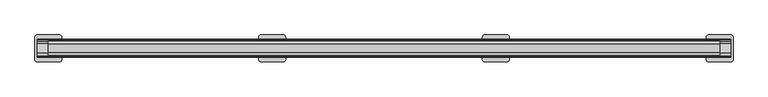
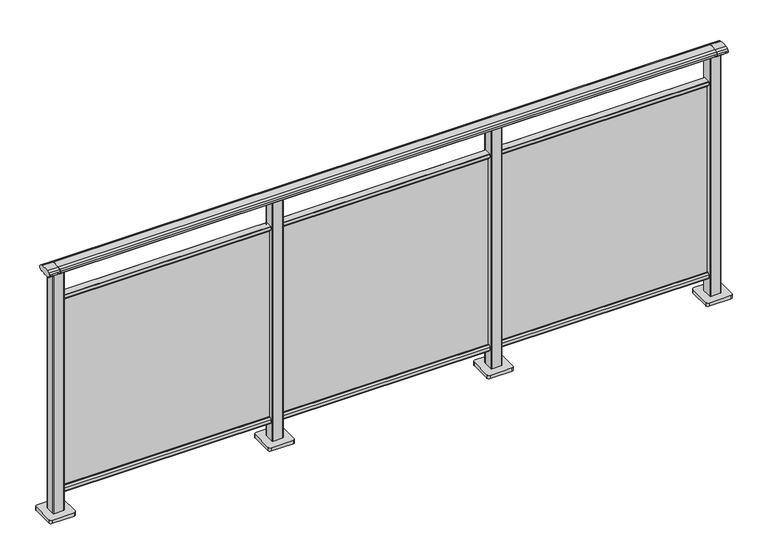
"""IFC4 building model written with IfcOpenShell, lengths in millimetres: railing geometry."""

from ifc_helpers import new_model, si_unit, point, frame, frame_2d, origin, origin_with_axes, place, context, project, spatial, polyline, circle_curve, trimmed, segment, composite_curve, outline, extrude, source, transform, mapped, element, save


def railing_0e9f6341(model_context):
    return source(origin(), model_context, "Body", "SweptSolid", [
        extrude(outline(composite_curve([segment(trimmed(circle_curve(frame_2d((9095.3619413, 1153.851602)), 44.999996), [point((9106.0673858, 1197.5596459))], [point((9118.2601573, 1192.5901015))], False, "CARTESIAN"), True, "CONTINUOUS"), segment(trimmed(circle_curve(frame_2d((9109.6097194, 1177.955556)), 17.0), [point((9118.2601573, 1192.5901015))], [point((9124.1544589, 1186.7561556))], False, "CARTESIAN"), True, "CONTINUOUS"), segment(trimmed(circle_curve(frame_2d((9117.0959826, 1182.4852765)), 8.2499997), [point((9124.1544589, 1186.7561556))], [point((9124.1544535, 1178.2143885))], False, "CARTESIAN"), True, "CONTINUOUS"), segment(trimmed(circle_curve(frame_2d((9109.6097251, 1187.0150065)), 17.0), [point((9124.1544535, 1178.2143885))], [point((9118.2601665, 1172.380463))], False, "CARTESIAN"), True, "CONTINUOUS"), segment(trimmed(circle_curve(frame_2d((9095.3619413, 1211.1189571)), 44.999996), [point((9118.2601665, 1172.380463))], [point((9113.7876029, 1170.064181))], False, "CARTESIAN"), True, "CONTINUOUS"), segment(trimmed(circle_curve(frame_2d((9113.1786159, 1172.1635324)), 2.185896), [point((9113.7876029, 1170.064181))], [point((9112.9960148, 1169.9852766))], False, "CARTESIAN"), True, "CONTINUOUS"), segment(trimmed(circle_curve(frame_2d((9112.9960148, 1170.8852766)), 0.9), [point((9112.9960148, 1169.9852766))], [point((9112.0981091, 1170.8239135))], False, "CARTESIAN"), True, "CONTINUOUS"), segment(trimmed(circle_curve(frame_2d((9111.5194733, 1170.8239135)), 0.5786359), [point((9112.0981091, 1170.8239135))], [point((9111.5194733, 1170.2452777))], False, "CARTESIAN"), True, "CONTINUOUS"), segment(polyline([(9111.5194733, 1170.2452777), (9094.5751393, 1170.2452777)]), True, "CONTINUOUS"), segment(trimmed(circle_curve(frame_2d((9085.8508208, 1187.1238497)), 18.999998), [point((9094.5751393, 1170.2452777))], [point((9077.1265024, 1170.2452777))], False, "CARTESIAN"), True, "CONTINUOUS"), segment(polyline([(9077.1265024, 1170.2452777), (9060.1821348, 1170.2452777)]), True, "CONTINUOUS"), segment(trimmed(circle_curve(frame_2d((9060.1821348, 1170.8239135)), 0.5786359), [point((9060.1821348, 1170.2452777))], [point((9059.603499, 1170.8239135))], False, "CARTESIAN"), True, "CONTINUOUS"), segment(trimmed(circle_curve(frame_2d((9058.7055933, 1170.8852766)), 0.9), [point((9059.603499, 1170.8239135))], [point((9058.7055933, 1169.9852766))], False, "CARTESIAN"), True, "CONTINUOUS"), segment(trimmed(circle_curve(frame_2d((9058.5229922, 1172.1635324)), 2.185896), [point((9058.7055933, 1169.9852766))], [point((9057.9140052, 1170.064181))], False, "CARTESIAN"), True, "CONTINUOUS"), segment(trimmed(circle_curve(frame_2d((9076.3396668, 1211.1189571)), 44.999996), [point((9057.9140052, 1170.064181))], [point((9053.8767914, 1172.1264081))], False, "CARTESIAN"), True, "CONTINUOUS"), segment(trimmed(circle_curve(frame_2d((9062.082215, 1187.0150288)), 17.0), [point((9053.8767914, 1172.1264081))], [point((9047.5375128, 1178.2143675))], False, "CARTESIAN"), True, "CONTINUOUS"), segment(trimmed(circle_curve(frame_2d((9054.595971, 1182.4852765)), 8.2499997), [point((9047.5375128, 1178.2143675))], [point((9047.5375074, 1186.7561766))], False, "CARTESIAN"), True, "CONTINUOUS"), segment(trimmed(circle_curve(frame_2d((9062.0822207, 1177.9555337)), 17.0), [point((9047.5375074, 1186.7561766))], [point((9053.4317599, 1192.5900657))], False, "CARTESIAN"), True, "CONTINUOUS"), segment(trimmed(circle_curve(frame_2d((9076.3300365, 1153.851602)), 44.999996), [point((9053.4317599, 1192.5900657))], [point((9065.624592, 1197.5596459))], False, "CARTESIAN"), True, "CONTINUOUS"), segment(trimmed(circle_curve(frame_2d((9085.8459889, 1115.0000001)), 85.0), [point((9065.624592, 1197.5596459))], [point((9106.0673858, 1197.5596459))], False, "CARTESIAN"), True, "CONTINUOUS")], self_intersect=False)), frame((-408.6053075, 0.0, 0.0), z_axis=(1.0, 0.0, 0.0), x_axis=(0.0, 1.0, 0.0)), (0.0, 0.0, 1.0), 3000.0),
        extrude(outline(composite_curve([segment(polyline([(9101.5508136, 100.0), (9070.1507946, 100.0)]), True, "CONTINUOUS"), segment(trimmed(circle_curve(frame_2d((9070.1507946, 101.8)), 1.8), [point((9070.1507946, 100.0))], [point((9068.3507946, 101.8))], False, "CARTESIAN"), True, "CONTINUOUS"), segment(polyline([(9068.3507946, 101.8), (9068.3507946, 115.5269955)]), True, "CONTINUOUS"), segment(trimmed(circle_curve(frame_2d((9070.1507946, 115.5269955)), 1.8), [point((9068.3507946, 115.5269955))], [point((9068.7923399, 116.7079277))], False, "CARTESIAN"), True, "CONTINUOUS"), segment(polyline([(9068.7923399, 116.7079277), (9075.4626384, 124.3809322)]), True, "CONTINUOUS"), segment(trimmed(circle_curve(frame_2d((9076.8210931, 123.2)), 1.8), [point((9075.4626384, 124.3809322))], [point((9076.8210931, 125.0))], False, "CARTESIAN"), True, "CONTINUOUS"), segment(polyline([(9076.8210931, 125.0), (9080.5111113, 125.0), (9081.809143, 113.0), (9089.8924411, 113.0), (9091.1904978, 125.0), (9094.88054, 125.0)]), True, "CONTINUOUS"), segment(trimmed(circle_curve(frame_2d((9094.88054, 123.2)), 1.8), [point((9094.88054, 125.0))], [point((9096.2389969, 124.3809297))], False, "CARTESIAN"), True, "CONTINUOUS"), segment(polyline([(9096.2389969, 124.3809297), (9102.9092704, 116.7079252)]), True, "CONTINUOUS"), segment(trimmed(circle_curve(frame_2d((9101.5508136, 115.5269955)), 1.8), [point((9102.9092704, 116.7079252))], [point((9103.3508136, 115.5269955))], False, "CARTESIAN"), True, "CONTINUOUS"), segment(polyline([(9103.3508136, 115.5269955), (9103.3508136, 101.8)]), True, "CONTINUOUS"), segment(trimmed(circle_curve(frame_2d((9101.5508136, 101.8)), 1.8), [point((9103.3508136, 101.8))], [point((9101.5508136, 100.0))], False, "CARTESIAN"), True, "CONTINUOUS")], self_intersect=False)), frame((-408.6053075, 0.0, 0.0), z_axis=(1.0, 0.0, 0.0), x_axis=(0.0, 1.0, 0.0)), (0.0, 0.0, 1.0), 3000.0),
        extrude(outline(composite_curve([segment(polyline([(9070.1507946, 1050.0), (9101.5508136, 1050.0)]), True, "CONTINUOUS"), segment(trimmed(circle_curve(frame_2d((9101.5508136, 1048.2)), 1.8), [point((9101.5508136, 1050.0))], [point((9103.3508136, 1048.2))], False, "CARTESIAN"), True, "CONTINUOUS"), segment(polyline([(9103.3508136, 1048.2), (9103.3508136, 1034.4730045)]), True, "CONTINUOUS"), segment(trimmed(circle_curve(frame_2d((9101.5508136, 1034.4730045)), 1.8), [point((9103.3508136, 1034.4730045))], [point((9102.9092704, 1033.2920748))], False, "CARTESIAN"), True, "CONTINUOUS"), segment(polyline([(9102.9092704, 1033.2920748), (9096.2389969, 1025.6190703)]), True, "CONTINUOUS"), segment(trimmed(circle_curve(frame_2d((9094.88054, 1026.8)), 1.8), [point((9096.2389969, 1025.6190703))], [point((9094.88054, 1025.0))], False, "CARTESIAN"), True, "CONTINUOUS"), segment(polyline([(9094.88054, 1025.0), (9091.1904978, 1025.0), (9089.8924411, 1037.0), (9081.809143, 1037.0), (9080.5111113, 1025.0), (9076.8210931, 1025.0)]), True, "CONTINUOUS"), segment(trimmed(circle_curve(frame_2d((9076.8210931, 1026.8)), 1.8), [point((9076.8210931, 1025.0))], [point((9075.4626384, 1025.6190678))], False, "CARTESIAN"), True, "CONTINUOUS"), segment(polyline([(9075.4626384, 1025.6190678), (9068.7923399, 1033.2920723)]), True, "CONTINUOUS"), segment(trimmed(circle_curve(frame_2d((9070.1507946, 1034.4730045)), 1.8), [point((9068.7923399, 1033.2920723))], [point((9068.3507946, 1034.4730045))], False, "CARTESIAN"), True, "CONTINUOUS"), segment(polyline([(9068.3507946, 1034.4730045), (9068.3507946, 1048.2)]), True, "CONTINUOUS"), segment(trimmed(circle_curve(frame_2d((9070.1507946, 1048.2)), 1.8), [point((9068.3507946, 1048.2))], [point((9070.1507946, 1050.0))], False, "CARTESIAN"), True, "CONTINUOUS")], self_intersect=False)), frame((-408.6053075, 0.0, 0.0), z_axis=(1.0, 0.0, 0.0), x_axis=(0.0, 1.0, 0.0)), (0.0, 0.0, 1.0), 3000.0),
        extrude(outline(polyline([(-408.6053075, 9083.8508041), (-408.6053075, 9087.8508041), (2591.3946925, 9087.8508041), (2591.3946925, 9083.8508041), (-408.6053075, 9083.8508041)])), frame((0.0, 0.0, 100.0), z_axis=(0.0, 0.0, 1.0), x_axis=(1.0, 0.0, 0.0)), (0.0, 0.0, 1.0), 940.0),
        extrude(outline(composite_curve([segment(trimmed(circle_curve(frame_2d((1568.994681, 9108.2508266)), 3.0), [point((1565.994681, 9108.2508266))], [point((1568.994681, 9111.2508266))], False, "CARTESIAN"), True, "CONTINUOUS"), segment(polyline([(1568.994681, 9111.2508266), (1613.794704, 9111.2508266)]), True, "CONTINUOUS"), segment(trimmed(circle_curve(frame_2d((1613.794704, 9108.2508266)), 3.0), [point((1613.794704, 9111.2508266))], [point((1616.794704, 9108.2508266))], False, "CARTESIAN"), True, "CONTINUOUS"), segment(polyline([(1616.794704, 9108.2508266), (1616.794704, 9063.4508036)]), True, "CONTINUOUS"), segment(trimmed(circle_curve(frame_2d((1613.794704, 9063.4508036)), 3.0), [point((1616.794704, 9063.4508036))], [point((1613.794704, 9060.4508036))], False, "CARTESIAN"), True, "CONTINUOUS"), segment(polyline([(1613.794704, 9060.4508036), (1568.994681, 9060.4508036)]), True, "CONTINUOUS"), segment(trimmed(circle_curve(frame_2d((1568.994681, 9063.4508036)), 3.0), [point((1568.994681, 9060.4508036))], [point((1565.994681, 9063.4508036))], False, "CARTESIAN"), True, "CONTINUOUS"), segment(polyline([(1565.994681, 9063.4508036), (1565.994681, 9108.2508266)]), True, "CONTINUOUS")], self_intersect=False)), frame((0.0, 0.0, 16.0), z_axis=(0.0, 0.0, 1.0), x_axis=(1.0, 0.0, 0.0)), (0.0, 0.0, 1.0), 1152.1238517),
        extrude(outline(composite_curve([segment(trimmed(circle_curve(frame_2d((1541.394681, 9135.8508151)), 10.0), [point((1531.394681, 9135.8508151))], [point((1541.394681, 9145.8508151))], False, "CARTESIAN"), True, "CONTINUOUS"), segment(polyline([(1541.394681, 9145.8508151), (1641.394681, 9145.8508151)]), True, "CONTINUOUS"), segment(trimmed(circle_curve(frame_2d((1641.394681, 9135.8508151)), 10.0), [point((1641.394681, 9145.8508151))], [point((1651.394681, 9135.8508151))], False, "CARTESIAN"), True, "CONTINUOUS"), segment(polyline([(1651.394681, 9135.8508151), (1651.394681, 9035.8508151)]), True, "CONTINUOUS"), segment(trimmed(circle_curve(frame_2d((1641.394681, 9035.8508151)), 10.0), [point((1651.394681, 9035.8508151))], [point((1641.394681, 9025.8508151))], False, "CARTESIAN"), True, "CONTINUOUS"), segment(polyline([(1641.394681, 9025.8508151), (1541.394681, 9025.8508151)]), True, "CONTINUOUS"), segment(trimmed(circle_curve(frame_2d((1541.394681, 9035.8508151)), 10.0), [point((1541.394681, 9025.8508151))], [point((1531.394681, 9035.8508151))], False, "CARTESIAN"), True, "CONTINUOUS"), segment(polyline([(1531.394681, 9035.8508151), (1531.394681, 9135.8508151)]), True, "CONTINUOUS")], self_intersect=False)), origin_with_axes(), (0.0, 0.0, 1.0), 16.0),
        extrude(outline(composite_curve([segment(trimmed(circle_curve(frame_2d((568.994681, 9108.2508266)), 3.0), [point((565.994681, 9108.2508266))], [point((568.994681, 9111.2508266))], False, "CARTESIAN"), True, "CONTINUOUS"), segment(polyline([(568.994681, 9111.2508266), (613.794704, 9111.2508266)]), True, "CONTINUOUS"), segment(trimmed(circle_curve(frame_2d((613.794704, 9108.2508266)), 3.0), [point((613.794704, 9111.2508266))], [point((616.794704, 9108.2508266))], False, "CARTESIAN"), True, "CONTINUOUS"), segment(polyline([(616.794704, 9108.2508266), (616.794704, 9063.4508036)]), True, "CONTINUOUS"), segment(trimmed(circle_curve(frame_2d((613.794704, 9063.4508036)), 3.0), [point((616.794704, 9063.4508036))], [point((613.794704, 9060.4508036))], False, "CARTESIAN"), True, "CONTINUOUS"), segment(polyline([(613.794704, 9060.4508036), (568.994681, 9060.4508036)]), True, "CONTINUOUS"), segment(trimmed(circle_curve(frame_2d((568.994681, 9063.4508036)), 3.0), [point((568.994681, 9060.4508036))], [point((565.994681, 9063.4508036))], False, "CARTESIAN"), True, "CONTINUOUS"), segment(polyline([(565.994681, 9063.4508036), (565.994681, 9108.2508266)]), True, "CONTINUOUS")], self_intersect=False)), frame((0.0, 0.0, 16.0), z_axis=(0.0, 0.0, 1.0), x_axis=(1.0, 0.0, 0.0)), (0.0, 0.0, 1.0), 1152.1238517),
        extrude(outline(composite_curve([segment(trimmed(circle_curve(frame_2d((541.394681, 9135.8508151)), 10.0), [point((531.394681, 9135.8508151))], [point((541.394681, 9145.8508151))], False, "CARTESIAN"), True, "CONTINUOUS"), segment(polyline([(541.394681, 9145.8508151), (641.394681, 9145.8508151)]), True, "CONTINUOUS"), segment(trimmed(circle_curve(frame_2d((641.394681, 9135.8508151)), 10.0), [point((641.394681, 9145.8508151))], [point((651.394681, 9135.8508151))], False, "CARTESIAN"), True, "CONTINUOUS"), segment(polyline([(651.394681, 9135.8508151), (651.394681, 9035.8508151)]), True, "CONTINUOUS"), segment(trimmed(circle_curve(frame_2d((641.394681, 9035.8508151)), 10.0), [point((651.394681, 9035.8508151))], [point((641.394681, 9025.8508151))], False, "CARTESIAN"), True, "CONTINUOUS"), segment(polyline([(641.394681, 9025.8508151), (541.394681, 9025.8508151)]), True, "CONTINUOUS"), segment(trimmed(circle_curve(frame_2d((541.394681, 9035.8508151)), 10.0), [point((541.394681, 9025.8508151))], [point((531.394681, 9035.8508151))], False, "CARTESIAN"), True, "CONTINUOUS"), segment(polyline([(531.394681, 9035.8508151), (531.394681, 9135.8508151)]), True, "CONTINUOUS")], self_intersect=False)), origin_with_axes(), (0.0, 0.0, 1.0), 16.0),
        extrude(outline(composite_curve([segment(trimmed(circle_curve(frame_2d((2568.994681, 9108.2508266)), 3.0), [point((2565.994681, 9108.2508266))], [point((2568.994681, 9111.2508266))], False, "CARTESIAN"), True, "CONTINUOUS"), segment(polyline([(2568.994681, 9111.2508266), (2613.794704, 9111.2508266)]), True, "CONTINUOUS"), segment(trimmed(circle_curve(frame_2d((2613.794704, 9108.2508266)), 3.0), [point((2613.794704, 9111.2508266))], [point((2616.794704, 9108.2508266))], False, "CARTESIAN"), True, "CONTINUOUS"), segment(polyline([(2616.794704, 9108.2508266), (2616.794704, 9063.4508036)]), True, "CONTINUOUS"), segment(trimmed(circle_curve(frame_2d((2613.794704, 9063.4508036)), 3.0), [point((2616.794704, 9063.4508036))], [point((2613.794704, 9060.4508036))], False, "CARTESIAN"), True, "CONTINUOUS"), segment(polyline([(2613.794704, 9060.4508036), (2568.994681, 9060.4508036)]), True, "CONTINUOUS"), segment(trimmed(circle_curve(frame_2d((2568.994681, 9063.4508036)), 3.0), [point((2568.994681, 9060.4508036))], [point((2565.994681, 9063.4508036))], False, "CARTESIAN"), True, "CONTINUOUS"), segment(polyline([(2565.994681, 9063.4508036), (2565.994681, 9108.2508266)]), True, "CONTINUOUS")], self_intersect=False)), frame((0.0, 0.0, 16.0), z_axis=(0.0, 0.0, 1.0), x_axis=(1.0, 0.0, 0.0)), (0.0, 0.0, 1.0), 1152.1238517),
        extrude(outline(composite_curve([segment(trimmed(circle_curve(frame_2d((2541.394681, 9135.8508151)), 10.0), [point((2531.394681, 9135.8508151))], [point((2541.394681, 9145.8508151))], False, "CARTESIAN"), True, "CONTINUOUS"), segment(polyline([(2541.394681, 9145.8508151), (2641.394681, 9145.8508151)]), True, "CONTINUOUS"), segment(trimmed(circle_curve(frame_2d((2641.394681, 9135.8508151)), 10.0), [point((2641.394681, 9145.8508151))], [point((2651.394681, 9135.8508151))], False, "CARTESIAN"), True, "CONTINUOUS"), segment(polyline([(2651.394681, 9135.8508151), (2651.394681, 9035.8508151)]), True, "CONTINUOUS"), segment(trimmed(circle_curve(frame_2d((2641.394681, 9035.8508151)), 10.0), [point((2651.394681, 9035.8508151))], [point((2641.394681, 9025.8508151))], False, "CARTESIAN"), True, "CONTINUOUS"), segment(polyline([(2641.394681, 9025.8508151), (2541.394681, 9025.8508151)]), True, "CONTINUOUS"), segment(trimmed(circle_curve(frame_2d((2541.394681, 9035.8508151)), 10.0), [point((2541.394681, 9025.8508151))], [point((2531.394681, 9035.8508151))], False, "CARTESIAN"), True, "CONTINUOUS"), segment(polyline([(2531.394681, 9035.8508151), (2531.394681, 9135.8508151)]), True, "CONTINUOUS")], self_intersect=False)), origin_with_axes(), (0.0, 0.0, 1.0), 16.0),
        extrude(outline(composite_curve([segment(trimmed(circle_curve(frame_2d((9095.3619413, 1153.7397763)), 44.999996), [point((9106.0673858, 1197.4478202))], [point((9118.2601573, 1192.4782759))], False, "CARTESIAN"), True, "CONTINUOUS"), segment(trimmed(circle_curve(frame_2d((9109.6097194, 1177.8437303)), 17.0), [point((9118.2601573, 1192.4782759))], [point((9124.1544589, 1186.64433))], False, "CARTESIAN"), True, "CONTINUOUS"), segment(trimmed(circle_curve(frame_2d((9117.0959826, 1182.3734509)), 8.2499997), [point((9124.1544589, 1186.64433))], [point((9124.1544535, 1178.1025629))], False, "CARTESIAN"), True, "CONTINUOUS"), segment(trimmed(circle_curve(frame_2d((9109.6097251, 1186.9031808)), 17.0), [point((9124.1544535, 1178.1025629))], [point((9118.2601665, 1172.2686373))], False, "CARTESIAN"), True, "CONTINUOUS"), segment(trimmed(circle_curve(frame_2d((9095.3619413, 1211.0071314)), 44.999996), [point((9118.2601665, 1172.2686373))], [point((9113.7876029, 1169.9523554))], False, "CARTESIAN"), True, "CONTINUOUS"), segment(trimmed(circle_curve(frame_2d((9113.1786159, 1172.0517067)), 2.185896), [point((9113.7876029, 1169.9523554))], [point((9112.9960148, 1169.873451))], False, "CARTESIAN"), True, "CONTINUOUS"), segment(trimmed(circle_curve(frame_2d((9112.9960148, 1170.773451)), 0.9), [point((9112.9960148, 1169.873451))], [point((9112.0981091, 1170.7120879))], False, "CARTESIAN"), True, "CONTINUOUS"), segment(trimmed(circle_curve(frame_2d((9111.5194733, 1170.7120879)), 0.5786359), [point((9112.0981091, 1170.7120879))], [point((9111.5194733, 1170.133452))], False, "CARTESIAN"), True, "CONTINUOUS"), segment(polyline([(9111.5194733, 1170.133452), (9094.5751393, 1170.133452)]), True, "CONTINUOUS"), segment(trimmed(circle_curve(frame_2d((9085.8508208, 1187.012024)), 18.999998), [point((9094.5751393, 1170.133452))], [point((9077.1265024, 1170.133452))], False, "CARTESIAN"), True, "CONTINUOUS"), segment(polyline([(9077.1265024, 1170.133452), (9060.1821348, 1170.133452)]), True, "CONTINUOUS"), segment(trimmed(circle_curve(frame_2d((9060.1821348, 1170.7120879)), 0.5786359), [point((9060.1821348, 1170.133452))], [point((9059.603499, 1170.7120879))], False, "CARTESIAN"), True, "CONTINUOUS"), segment(trimmed(circle_curve(frame_2d((9058.7055933, 1170.773451)), 0.9), [point((9059.603499, 1170.7120879))], [point((9058.7055933, 1169.873451))], False, "CARTESIAN"), True, "CONTINUOUS"), segment(trimmed(circle_curve(frame_2d((9058.5229922, 1172.0517067)), 2.185896), [point((9058.7055933, 1169.873451))], [point((9057.9140052, 1169.9523554))], False, "CARTESIAN"), True, "CONTINUOUS"), segment(trimmed(circle_curve(frame_2d((9076.3396668, 1211.0071314)), 44.999996), [point((9057.9140052, 1169.9523554))], [point((9053.8767914, 1172.0145825))], False, "CARTESIAN"), True, "CONTINUOUS"), segment(trimmed(circle_curve(frame_2d((9062.082215, 1186.9032031)), 17.0), [point((9053.8767914, 1172.0145825))], [point((9047.5375128, 1178.1025419))], False, "CARTESIAN"), True, "CONTINUOUS"), segment(trimmed(circle_curve(frame_2d((9054.595971, 1182.3734509)), 8.2499997), [point((9047.5375128, 1178.1025419))], [point((9047.5375074, 1186.644351))], False, "CARTESIAN"), True, "CONTINUOUS"), segment(trimmed(circle_curve(frame_2d((9062.0822207, 1177.843708)), 17.0), [point((9047.5375074, 1186.644351))], [point((9053.4317599, 1192.4782401))], False, "CARTESIAN"), True, "CONTINUOUS"), segment(trimmed(circle_curve(frame_2d((9076.3300365, 1153.7397763)), 44.999996), [point((9053.4317599, 1192.4782401))], [point((9065.624592, 1197.4478202))], False, "CARTESIAN"), True, "CONTINUOUS"), segment(trimmed(circle_curve(frame_2d((9085.8459889, 1114.8881745)), 85.0), [point((9065.624592, 1197.4478202))], [point((9106.0673858, 1197.4478202))], False, "CARTESIAN"), True, "CONTINUOUS")], self_intersect=False)), frame((2591.3946925, 0.0, 0.0), z_axis=(1.0, 0.0, 0.0), x_axis=(0.0, 1.0, 0.0)), (0.0, 0.0, 1.0), 50.0),
        extrude(outline(composite_curve([segment(trimmed(circle_curve(frame_2d((-431.005319, 9108.2508266)), 3.0), [point((-434.005319, 9108.2508266))], [point((-431.005319, 9111.2508266))], False, "CARTESIAN"), True, "CONTINUOUS"), segment(polyline([(-431.005319, 9111.2508266), (-386.205296, 9111.2508266)]), True, "CONTINUOUS"), segment(trimmed(circle_curve(frame_2d((-386.205296, 9108.2508266)), 3.0), [point((-386.205296, 9111.2508266))], [point((-383.205296, 9108.2508266))], False, "CARTESIAN"), True, "CONTINUOUS"), segment(polyline([(-383.205296, 9108.2508266), (-383.205296, 9063.4508036)]), True, "CONTINUOUS"), segment(trimmed(circle_curve(frame_2d((-386.205296, 9063.4508036)), 3.0), [point((-383.205296, 9063.4508036))], [point((-386.205296, 9060.4508036))], False, "CARTESIAN"), True, "CONTINUOUS"), segment(polyline([(-386.205296, 9060.4508036), (-431.005319, 9060.4508036)]), True, "CONTINUOUS"), segment(trimmed(circle_curve(frame_2d((-431.005319, 9063.4508036)), 3.0), [point((-431.005319, 9060.4508036))], [point((-434.005319, 9063.4508036))], False, "CARTESIAN"), True, "CONTINUOUS"), segment(polyline([(-434.005319, 9063.4508036), (-434.005319, 9108.2508266)]), True, "CONTINUOUS")], self_intersect=False)), frame((0.0, 0.0, 16.0), z_axis=(0.0, 0.0, 1.0), x_axis=(1.0, 0.0, 0.0)), (0.0, 0.0, 1.0), 1152.1238517),
        extrude(outline(composite_curve([segment(trimmed(circle_curve(frame_2d((-458.605319, 9135.8508151)), 10.0), [point((-468.605319, 9135.8508151))], [point((-458.605319, 9145.8508151))], False, "CARTESIAN"), True, "CONTINUOUS"), segment(polyline([(-458.605319, 9145.8508151), (-358.605319, 9145.8508151)]), True, "CONTINUOUS"), segment(trimmed(circle_curve(frame_2d((-358.605319, 9135.8508151)), 10.0), [point((-358.605319, 9145.8508151))], [point((-348.605319, 9135.8508151))], False, "CARTESIAN"), True, "CONTINUOUS"), segment(polyline([(-348.605319, 9135.8508151), (-348.605319, 9035.8508151)]), True, "CONTINUOUS"), segment(trimmed(circle_curve(frame_2d((-358.605319, 9035.8508151)), 10.0), [point((-348.605319, 9035.8508151))], [point((-358.605319, 9025.8508151))], False, "CARTESIAN"), True, "CONTINUOUS"), segment(polyline([(-358.605319, 9025.8508151), (-458.605319, 9025.8508151)]), True, "CONTINUOUS"), segment(trimmed(circle_curve(frame_2d((-458.605319, 9035.8508151)), 10.0), [point((-458.605319, 9025.8508151))], [point((-468.605319, 9035.8508151))], False, "CARTESIAN"), True, "CONTINUOUS"), segment(polyline([(-468.605319, 9035.8508151), (-468.605319, 9135.8508151)]), True, "CONTINUOUS")], self_intersect=False)), origin_with_axes(), (0.0, 0.0, 1.0), 16.0),
        extrude(outline(composite_curve([segment(trimmed(circle_curve(frame_2d((9095.3619413, 1153.7397763)), 44.999996), [point((9106.0673858, 1197.4478202))], [point((9118.2601573, 1192.4782759))], False, "CARTESIAN"), True, "CONTINUOUS"), segment(trimmed(circle_curve(frame_2d((9109.6097194, 1177.8437303)), 17.0), [point((9118.2601573, 1192.4782759))], [point((9124.1544589, 1186.64433))], False, "CARTESIAN"), True, "CONTINUOUS"), segment(trimmed(circle_curve(frame_2d((9117.0959826, 1182.3734509)), 8.2499997), [point((9124.1544589, 1186.64433))], [point((9124.1544535, 1178.1025629))], False, "CARTESIAN"), True, "CONTINUOUS"), segment(trimmed(circle_curve(frame_2d((9109.6097251, 1186.9031808)), 17.0), [point((9124.1544535, 1178.1025629))], [point((9118.2601665, 1172.2686373))], False, "CARTESIAN"), True, "CONTINUOUS"), segment(trimmed(circle_curve(frame_2d((9095.3619413, 1211.0071314)), 44.999996), [point((9118.2601665, 1172.2686373))], [point((9113.7876029, 1169.9523554))], False, "CARTESIAN"), True, "CONTINUOUS"), segment(trimmed(circle_curve(frame_2d((9113.1786159, 1172.0517067)), 2.185896), [point((9113.7876029, 1169.9523554))], [point((9112.9960148, 1169.873451))], False, "CARTESIAN"), True, "CONTINUOUS"), segment(trimmed(circle_curve(frame_2d((9112.9960148, 1170.773451)), 0.9), [point((9112.9960148, 1169.873451))], [point((9112.0981091, 1170.7120879))], False, "CARTESIAN"), True, "CONTINUOUS"), segment(trimmed(circle_curve(frame_2d((9111.5194733, 1170.7120879)), 0.5786359), [point((9112.0981091, 1170.7120879))], [point((9111.5194733, 1170.133452))], False, "CARTESIAN"), True, "CONTINUOUS"), segment(polyline([(9111.5194733, 1170.133452), (9094.5751393, 1170.133452)]), True, "CONTINUOUS"), segment(trimmed(circle_curve(frame_2d((9085.8508208, 1187.012024)), 18.999998), [point((9094.5751393, 1170.133452))], [point((9077.1265024, 1170.133452))], False, "CARTESIAN"), True, "CONTINUOUS"), segment(polyline([(9077.1265024, 1170.133452), (9060.1821348, 1170.133452)]), True, "CONTINUOUS"), segment(trimmed(circle_curve(frame_2d((9060.1821348, 1170.7120879)), 0.5786359), [point((9060.1821348, 1170.133452))], [point((9059.603499, 1170.7120879))], False, "CARTESIAN"), True, "CONTINUOUS"), segment(trimmed(circle_curve(frame_2d((9058.7055933, 1170.773451)), 0.9), [point((9059.603499, 1170.7120879))], [point((9058.7055933, 1169.873451))], False, "CARTESIAN"), True, "CONTINUOUS"), segment(trimmed(circle_curve(frame_2d((9058.5229922, 1172.0517067)), 2.185896), [point((9058.7055933, 1169.873451))], [point((9057.9140052, 1169.9523554))], False, "CARTESIAN"), True, "CONTINUOUS"), segment(trimmed(circle_curve(frame_2d((9076.3396668, 1211.0071314)), 44.999996), [point((9057.9140052, 1169.9523554))], [point((9053.8767914, 1172.0145825))], False, "CARTESIAN"), True, "CONTINUOUS"), segment(trimmed(circle_curve(frame_2d((9062.082215, 1186.9032031)), 17.0), [point((9053.8767914, 1172.0145825))], [point((9047.5375128, 1178.1025419))], False, "CARTESIAN"), True, "CONTINUOUS"), segment(trimmed(circle_curve(frame_2d((9054.595971, 1182.3734509)), 8.2499997), [point((9047.5375128, 1178.1025419))], [point((9047.5375074, 1186.644351))], False, "CARTESIAN"), True, "CONTINUOUS"), segment(trimmed(circle_curve(frame_2d((9062.0822207, 1177.843708)), 17.0), [point((9047.5375074, 1186.644351))], [point((9053.4317599, 1192.4782401))], False, "CARTESIAN"), True, "CONTINUOUS"), segment(trimmed(circle_curve(frame_2d((9076.3300365, 1153.7397763)), 44.999996), [point((9053.4317599, 1192.4782401))], [point((9065.624592, 1197.4478202))], False, "CARTESIAN"), True, "CONTINUOUS"), segment(trimmed(circle_curve(frame_2d((9085.8459889, 1114.8881745)), 85.0), [point((9065.624592, 1197.4478202))], [point((9106.0673858, 1197.4478202))], False, "CARTESIAN"), True, "CONTINUOUS")], self_intersect=False)), frame((-458.6053075, 0.0, 0.0), z_axis=(1.0, 0.0, 0.0), x_axis=(0.0, 1.0, 0.0)), (0.0, 0.0, 1.0), 50.0),
    ])


if __name__ == "__main__":
    model = new_model("IFC4")
    model_context = context("Model", 3, world=origin())
    ifc_project = project(units=[si_unit("LENGTHUNIT", "METRE", prefix="MILLI")], contexts=[model_context])
    site = spatial("IfcSite", under=ifc_project)
    building = spatial("IfcBuilding", under=site)
    placement = place(None, origin())
    railing_shape = railing_0e9f6341(model_context)
    element("IfcRailing", 1, at=placement, inside=building, context=model_context, shape_type="MappedRepresentation", body=[
        mapped(railing_shape, transform((0.0, 0.0, 0.0), x_axis=(1.0, 0.0, 0.0), y_axis=(0.0, 1.0, 0.0), z_axis=(0.0, 0.0, 1.0))),
    ])
    save(model, "model.ifc")
